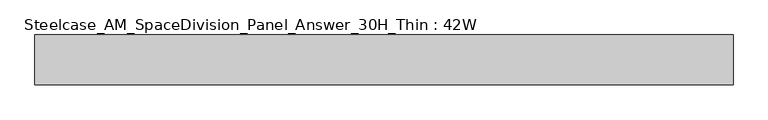
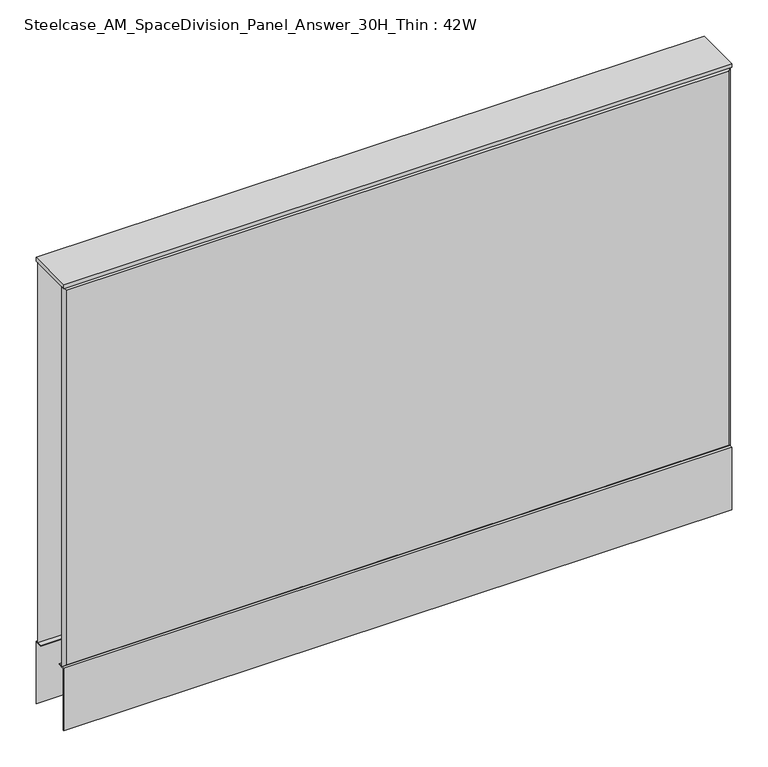
"""IFC4 building model written with IfcOpenShell, lengths in millimetres: furniture geometry, Steelcase_AM_SpaceDivision_Panel_Answer_30H_Thin : 42W."""

from ifc_helpers import new_model, si_unit, frame, origin, place, context, project, spatial, polyline, outline, extrude, faceted_brep, source, transform, mapped, element, save


def steelcase_am_spacedivision_panel_answer_30h_thin_42w_d9f0d31a(model_context):
    return source(origin(), model_context, "Body", "SolidModel", [
        extrude(outline(polyline([(-37.3075215, 119.8575157), (-37.3075215, 15.494), (-38.1000194, 15.494), (-38.1000194, 120.65), (-25.4000011, 120.65), (-25.4000011, 119.8575157), (-37.3075215, 119.8575157)])), frame((-533.4, 0.0, 0.0), z_axis=(1.0, 0.0, 0.0), x_axis=(0.0, 1.0, 0.0)), (0.0, 0.0, 1.0), 1066.8),
        extrude(outline(polyline([(37.3075215, 119.8575157), (25.4000011, 119.8575157), (25.4000011, 120.65), (38.1000194, 120.65), (38.1000194, 15.494), (37.3075215, 15.494), (37.3075215, 119.8575157)])), frame((-533.4, 0.0, 0.0), z_axis=(1.0, 0.0, 0.0), x_axis=(0.0, 1.0, 0.0)), (0.0, 0.0, 1.0), 1066.8),
        faceted_brep([(528.574, -38.100001, 757.174), (-528.574, -38.100001, 757.174), (-528.574, -38.100001, 125.476), (528.574, -38.100001, 125.476), (533.4, -33.274001, 762.0), (533.4, -33.274001, 120.65), (-533.4, -33.274001, 120.65), (-533.4, -33.274001, 762.0)], [[[0, 1, 2, 3]], [[4, 5, 6, 7]], [[4, 7, 1, 0]], [[7, 6, 2, 1]], [[6, 5, 3, 2]], [[5, 4, 0, 3]]]),
        faceted_brep([(528.574, 38.100001, 757.174), (528.574, 38.100001, 125.476), (-528.574, 38.100001, 125.476), (-528.574, 38.100001, 757.174), (533.4, 33.274001, 762.0), (-533.4, 33.274001, 762.0), (-533.4, 33.274001, 120.65), (533.4, 33.274001, 120.65)], [[[0, 1, 2, 3]], [[4, 5, 6, 7]], [[4, 0, 3, 5]], [[5, 3, 2, 6]], [[6, 2, 1, 7]], [[7, 1, 0, 4]]]),
        extrude(outline(polyline([(533.4, -38.1000194), (-533.4, -38.1000194), (-533.4, 38.1000194), (533.4, 38.1000194), (533.4, -38.1000194)])), frame((0.0, 0.0, 762.0), z_axis=(0.0, 0.0, 1.0), x_axis=(1.0, 0.0, 0.0)), (0.0, 0.0, 1.0), 6.35),
    ])


if __name__ == "__main__":
    model = new_model("IFC4")
    model_context = context("Model", 3, world=origin())
    ifc_project = project(units=[si_unit("LENGTHUNIT", "METRE", prefix="MILLI")], contexts=[model_context])
    site = spatial("IfcSite", under=ifc_project)
    building = spatial("IfcBuilding", under=site)
    placement = place(None, origin())
    steelcase_am_spacedivision_panel_answer_30h_thin_42w_shape = steelcase_am_spacedivision_panel_answer_30h_thin_42w_d9f0d31a(model_context)
    element("IfcFurniture", 1, ObjectType="Steelcase_AM_SpaceDivision_Panel_Answer_30H_Thin : 42W", at=placement, inside=building, context=model_context, shape_type="MappedRepresentation", body=[
        mapped(steelcase_am_spacedivision_panel_answer_30h_thin_42w_shape, transform((0.0, 0.0, 0.0), x_axis=(1.0, 0.0, 0.0), y_axis=(0.0, 1.0, 0.0), z_axis=(0.0, 0.0, 1.0))),
    ])
    save(model, "model.ifc")
